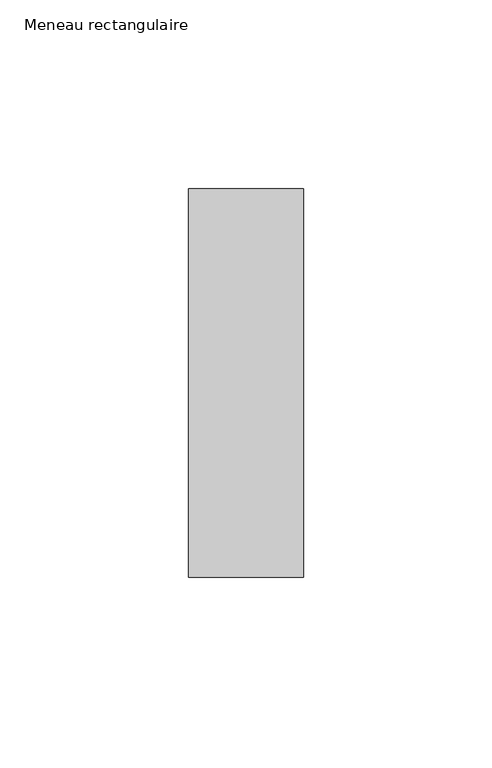
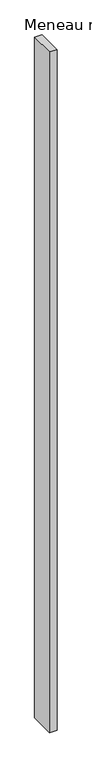
"""IFC4 building model written with IfcOpenShell, lengths in millimetres: member geometry, Meneau rectangulaire."""

from ifc_helpers import new_model, si_unit, frame, origin, place, context, project, spatial, polyline, outline, extrude, source, transform, mapped, element, save


def meneau_rectangulaire_166b8d6d(model_context):
    return source(origin(), model_context, "Body", "SweptSolid", [
        extrude(outline(polyline([(-15.25, 51.4150874), (15.25, 51.4150874), (15.25, -51.5849126), (-15.25, -51.5849126), (-15.25, 51.4150874)])), frame((0.0, 0.0, -2914.7), z_axis=(0.0, 0.0, 1.0), x_axis=(1.0, 0.0, 0.0)), (0.0, 0.0, 1.0), 2914.7),
    ])


if __name__ == "__main__":
    model = new_model("IFC4")
    model_context = context("Model", 3, world=origin())
    ifc_project = project(units=[si_unit("LENGTHUNIT", "METRE", prefix="MILLI")], contexts=[model_context])
    site = spatial("IfcSite", under=ifc_project)
    building = spatial("IfcBuilding", under=site)
    placement = place(None, origin())
    meneau_rectangulaire_shape = meneau_rectangulaire_166b8d6d(model_context)
    element("IfcMember", 1, ObjectType="Meneau rectangulaire", at=placement, inside=building, context=model_context, shape_type="MappedRepresentation", body=[
        mapped(meneau_rectangulaire_shape, transform((0.0, 0.0, 0.0), x_axis=(1.0, 0.0, 0.0), y_axis=(0.0, 1.0, 0.0), z_axis=(0.0, 0.0, 1.0))),
    ])
    save(model, "model.ifc")
